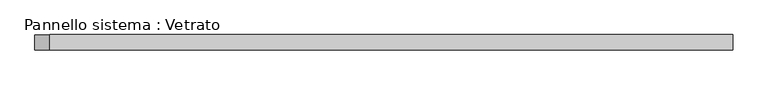
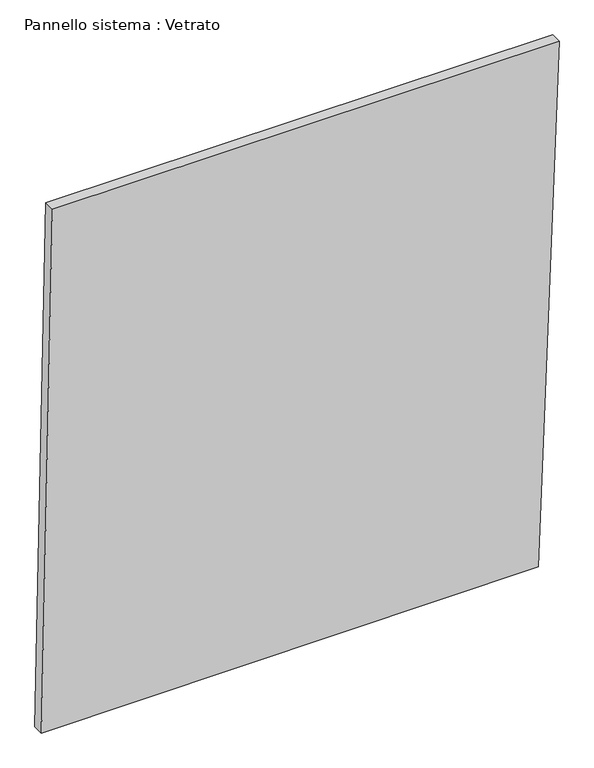
"""IFC4 building model written with IfcOpenShell, lengths in millimetres: plate geometry, Pannello sistema : Vetrato."""

from ifc_helpers import new_model, si_unit, frame, origin, place, context, project, spatial, polyline, outline, extrude, source, transform, mapped, element, save


def pannello_sistema_vetrato_aa779b54(model_context):
    return source(origin(), model_context, "Body", "SweptSolid", [
        extrude(outline(polyline([(0.0, -690.7037507), (4.9911772, 634.5501415), (1467.8651384, 690.7037507), (1467.8651384, -661.3498372), (0.0, -690.7037507)])), frame((0.0, -15.0, 0.0), z_axis=(0.0, 1.0, 0.0), x_axis=(0.0, 0.0, 1.0)), (0.0, 0.0, 1.0), 30.0),
    ])


if __name__ == "__main__":
    model = new_model("IFC4")
    model_context = context("Model", 3, world=origin())
    ifc_project = project(units=[si_unit("LENGTHUNIT", "METRE", prefix="MILLI")], contexts=[model_context])
    site = spatial("IfcSite", under=ifc_project)
    building = spatial("IfcBuilding", under=site)
    placement = place(None, origin())
    pannello_sistema_vetrato_shape = pannello_sistema_vetrato_aa779b54(model_context)
    element("IfcPlate", 1, ObjectType="Pannello sistema : Vetrato", at=placement, inside=building, context=model_context, shape_type="MappedRepresentation", body=[
        mapped(pannello_sistema_vetrato_shape, transform((0.0, 0.0, 0.0), x_axis=(1.0, 0.0, 0.0), y_axis=(0.0, 1.0, 0.0), z_axis=(0.0, 0.0, 1.0))),
    ])
    save(model, "model.ifc")
